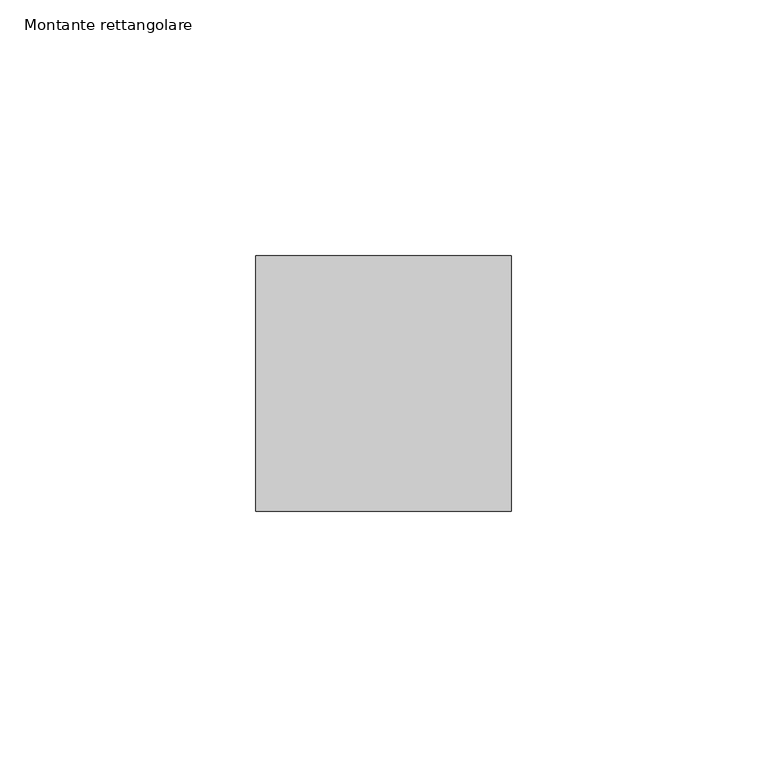
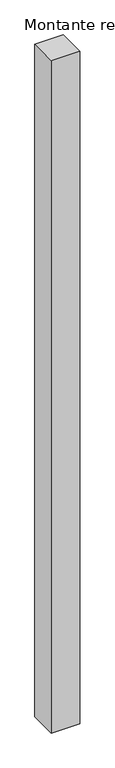
"""IFC4 building model written with IfcOpenShell, lengths in millimetres: member geometry, Montante rettangolare."""

import ifcopenshell
import ifcopenshell.guid

model = None  # the IFC model being written
_history = None  # IfcOwnerHistory: only IFC2X3 demands one
_inside = {}  # id of a spatial element -> (the spatial element, [elements in it])
_under = {}  # id of a project, library or spatial element -> (it, [spatial elements below it])
_declared = {}  # id of a project -> (the project, [libraries it declares])
_typed = {}  # id of a type object -> (the type object, [elements of that type])
_made_of = {}  # id of a material, layer set ... -> (it, [elements and type objects made of it])


def new_model(schema):
    """Start an empty IFC model of exactly this schema.

    Asked for "IFC4X3", IfcOpenShell would pick the latest addendum, in which some entities
    have other attributes; the version numbers below select the first issue.
    IFC2X3 requires an IfcOwnerHistory on every rooted entity: one is made here for all.
    """
    global model, _history
    if schema == "IFC4X3":
        model = ifcopenshell.file(schema_version=(4, 3, 0, 0))
    else:
        model = ifcopenshell.file(schema=schema)
    _inside.clear()
    _under.clear()
    _declared.clear()
    _typed.clear()
    _made_of.clear()
    _history = None
    if model.schema == "IFC2X3":
        org = make("IfcOrganization", Name="unknown")
        user = make(
            "IfcPersonAndOrganization",
            ThePerson=make("IfcPerson", FamilyName="unknown"),
            TheOrganization=org,
        )
        app = make(
            "IfcApplication",
            ApplicationDeveloper=org,
            Version="unknown",
            ApplicationFullName="unknown",
            ApplicationIdentifier="unknown",
        )
        _history = make(
            "IfcOwnerHistory",
            OwningUser=user,
            OwningApplication=app,
            ChangeAction="ADDED",
            CreationDate=0,
        )
    return model


def make(cls, **values):
    """One entity of the class cls with the attributes given. An attribute that is None is left unset."""
    return model.create_entity(
        cls, **{name: value for name, value in values.items() if value is not None}
    )


def rooted(cls, **values):
    """An entity with a GlobalId (a new one), such as an element, a storey or a relation."""
    return make(cls, GlobalId=ifcopenshell.guid.new(), OwnerHistory=_history, **values)


def si_unit(unit_type, name, prefix=None):
    """IfcSIUnit, for example si_unit("LENGTHUNIT", "METRE", prefix="MILLI")."""
    return make("IfcSIUnit", UnitType=unit_type, Prefix=prefix, Name=name)


def assignment(units):
    """IfcUnitAssignment: the units of a project."""
    return None if units is None else make("IfcUnitAssignment", Units=units)


def point(xyz):
    """IfcCartesianPoint."""
    return None if xyz is None else make("IfcCartesianPoint", Coordinates=xyz)


def direction(xyz):
    """IfcDirection."""
    return None if xyz is None else make("IfcDirection", DirectionRatios=xyz)


def frame(location, z_axis=None, x_axis=None):
    """IfcAxis2Placement3D, a coordinate frame: its origin and axes. An axis left out is left unset."""
    return make(
        "IfcAxis2Placement3D",
        Location=point(location),
        Axis=direction(z_axis),
        RefDirection=direction(x_axis),
    )


def origin():
    """The frame at (0, 0, 0) with its axes left unset."""
    return frame((0.0, 0.0, 0.0))


def place(relative_to, where):
    """IfcLocalPlacement: puts the frame where relative to a parent placement (None: the world)."""
    return make(
        "IfcLocalPlacement", PlacementRelTo=relative_to, RelativePlacement=where
    )


def context(
    kind, dimensions, precision=None, world=None, true_north=None, identifier=None
):
    """IfcGeometricRepresentationContext, for example the 3D "Model" context."""
    return make(
        "IfcGeometricRepresentationContext",
        ContextIdentifier=identifier,
        ContextType=kind,
        CoordinateSpaceDimension=dimensions,
        Precision=precision,
        WorldCoordinateSystem=world,
        TrueNorth=true_north,
    )


def project(units=None, contexts=None):
    """IfcProject with its units and contexts."""
    return rooted(
        "IfcProject",
        Name="project",
        RepresentationContexts=contexts,
        UnitsInContext=assignment(units),
    )


def spatial(cls, under=None, at=None, **own):
    """A site, building, storey or space (cls), placed at a placement, below another one or the project."""
    s = rooted(cls, ObjectPlacement=at, **own)
    if under is not None:
        _under.setdefault(under.id(), (under, []))[1].append(s)
    return s


def polyline(points):
    """IfcPolyline through the points."""
    return make("IfcPolyline", Points=[point(p) for p in points])


def outline(outer, holes=None, kind="AREA"):
    """IfcArbitraryClosedProfileDef: a profile drawn as a closed curve; with holes, ...WithVoids."""
    if holes is None:
        return make("IfcArbitraryClosedProfileDef", ProfileType=kind, OuterCurve=outer)
    return make(
        "IfcArbitraryProfileDefWithVoids",
        ProfileType=kind,
        OuterCurve=outer,
        InnerCurves=holes,
    )


def extrude(swept, where, along, depth):
    """IfcExtrudedAreaSolid: the profile swept, set in the frame where, extruded along a direction by depth."""
    return make(
        "IfcExtrudedAreaSolid",
        SweptArea=swept,
        Position=where,
        ExtrudedDirection=direction(along),
        Depth=depth,
    )


def shape(context_of_items, identifier, shape_type, items):
    """IfcShapeRepresentation: the items that make up one representation, for example the "Body"."""
    return make(
        "IfcShapeRepresentation",
        ContextOfItems=context_of_items,
        RepresentationIdentifier=identifier,
        RepresentationType=shape_type,
        Items=items,
    )


def source(mapping_origin, context_of_items, identifier, shape_type, items):
    """IfcRepresentationMap: a shape defined once, which mapped items show again and again."""
    return make(
        "IfcRepresentationMap",
        MappingOrigin=mapping_origin,
        MappedRepresentation=shape(context_of_items, identifier, shape_type, items),
    )


def transform(
    local_origin,
    x_axis=None,
    y_axis=None,
    z_axis=None,
    scale=None,
    scale2=None,
    scale3=None,
    uniform=True,
):
    """IfcCartesianTransformationOperator3D, or its non-uniform kind. x_axis, y_axis, z_axis: its Axis1, 2, 3."""
    if uniform:
        return make(
            "IfcCartesianTransformationOperator3D",
            Axis1=direction(x_axis),
            Axis2=direction(y_axis),
            LocalOrigin=point(local_origin),
            Scale=scale,
            Axis3=direction(z_axis),
        )
    return make(
        "IfcCartesianTransformationOperator3DnonUniform",
        Axis1=direction(x_axis),
        Axis2=direction(y_axis),
        LocalOrigin=point(local_origin),
        Scale=scale,
        Axis3=direction(z_axis),
        Scale2=scale2,
        Scale3=scale3,
    )


def mapped(mapping_source, mapping_target):
    """IfcMappedItem: shows the shape of a source again, moved by a transform."""
    return make(
        "IfcMappedItem", MappingSource=mapping_source, MappingTarget=mapping_target
    )


def made_of(thing, what):
    """Note that an element or type object is made of a material, layer set ...; save() writes the relation."""
    if what is not None:
        _made_of.setdefault(what.id(), (what, []))[1].append(thing)
    return thing


def element(
    cls,
    number,
    at=None,
    inside=None,
    cuts=None,
    type_object=None,
    material=None,
    context=None,
    identifier="Body",
    shape_type=None,
    held_by="IfcProductDefinitionShape",
    body=None,
    shapes=None,
    **own,
):
    """One element of the class cls, such as IfcWall. Its Tag is "e" and its number.

    at: its placement. inside: the storey or other place that contains it. cuts: it is an
    opening in that element (IfcRelVoidsElement). A single representation is given by context,
    identifier, shape_type and body (its items); several are given by shapes. held_by: the class
    of the entity that holds the representations. save() writes the other relations.
    """
    e = rooted(cls, Tag="e%d" % number, ObjectPlacement=at, **own)
    if body is not None:
        shapes = [shape(context, identifier, shape_type, body)]
    if shapes is not None:
        e.Representation = make(held_by, Representations=shapes)
    if inside is not None:
        _inside.setdefault(inside.id(), (inside, []))[1].append(e)
    if cuts is not None:
        rooted(
            "IfcRelVoidsElement", RelatingBuildingElement=cuts, RelatedOpeningElement=e
        )
    if type_object is not None:
        _typed.setdefault(type_object.id(), (type_object, []))[1].append(e)
    return made_of(e, material)


def aggregate(whole, parts):
    """IfcRelAggregates: a whole, such as a stair, and the parts it consists of."""
    return rooted("IfcRelAggregates", RelatingObject=whole, RelatedObjects=parts)


def save(model, path):
    """Write the relations noted so far, then the file.

    IfcRelAggregates (storeys below a building ...), IfcRelContainedInSpatialStructure (elements
    in a storey), IfcRelDefinesByType, IfcRelAssociatesMaterial and IfcRelDeclares: one each for
    every whole, place, type object, material and project.
    """
    for whole, parts in _under.values():
        aggregate(whole, parts)
    for where, things in _inside.values():
        rooted(
            "IfcRelContainedInSpatialStructure",
            RelatedElements=things,
            RelatingStructure=where,
        )
    for kind, things in _typed.values():
        rooted("IfcRelDefinesByType", RelatedObjects=things, RelatingType=kind)
    for what, things in _made_of.values():
        rooted("IfcRelAssociatesMaterial", RelatedObjects=things, RelatingMaterial=what)
    for by, libraries in _declared.values():
        rooted("IfcRelDeclares", RelatingContext=by, RelatedDefinitions=libraries)
    model.write(path)


def montante_rettangolare_56e34eba(model_context):
    return source(origin(), model_context, "Body", "SweptSolid", [
        extrude(outline(polyline([(0.0, 25.0), (0.0, -25.0), (-50.0, -25.0), (-50.0, 25.0), (0.0, 25.0)])), frame((0.0, 0.0, -1250.0), z_axis=(0.0, 0.0, 1.0), x_axis=(1.0, 0.0, 0.0)), (0.0, 0.0, 1.0), 1250.0),
    ])


if __name__ == "__main__":
    model = new_model("IFC4")
    model_context = context("Model", 3, world=origin())
    ifc_project = project(units=[si_unit("LENGTHUNIT", "METRE", prefix="MILLI")], contexts=[model_context])
    site = spatial("IfcSite", under=ifc_project)
    building = spatial("IfcBuilding", under=site)
    placement = place(None, origin())
    montante_rettangolare_shape = montante_rettangolare_56e34eba(model_context)
    element("IfcMember", 1, ObjectType="Montante rettangolare", at=placement, inside=building, context=model_context, shape_type="MappedRepresentation", body=[
        mapped(montante_rettangolare_shape, transform((0.0, 0.0, 0.0), x_axis=(1.0, 0.0, 0.0), y_axis=(0.0, 1.0, 0.0), z_axis=(0.0, 0.0, 1.0))),
    ])
    save(model, "model.ifc")
